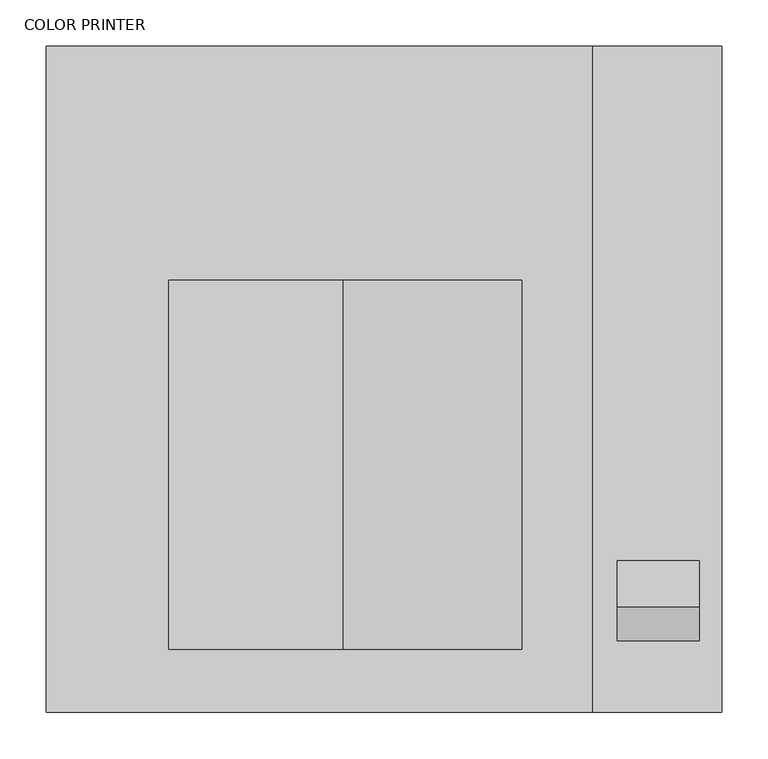
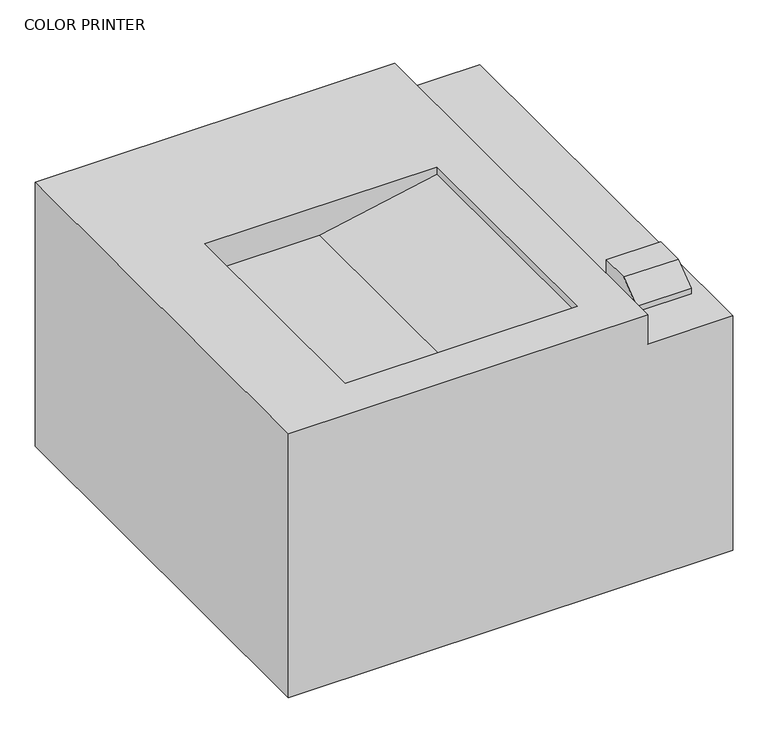
"""IFC4 building model written with IfcOpenShell, lengths in millimetres: proxy geometry, COLOR PRINTER."""

from ifc_helpers import new_model, si_unit, frame, origin, place, context, project, spatial, polyline, outline, extrude, faceted_brep, source, transform, mapped, element, save


def color_printer_38d62b15(model_context):
    return source(origin(), model_context, "Body", "SolidModel", [
        extrude(outline(polyline([(-565.5859956, 1320.8), (-651.984646, 1320.8), (-651.984646, 1330.3812577), (-615.4823205, 1358.9), (-565.5859956, 1358.9), (-565.5859956, 1320.8)])), frame((795.4583803, 0.0, 0.0), z_axis=(1.0, 0.0, 0.0), x_axis=(0.0, 1.0, 0.0)), (0.0, 0.0, 1.0), 88.9451128),
        faceted_brep([(179.3693622, -10.2970561, 1371.6), (179.3693622, -729.1170561, 1371.6), (768.7654106, -729.1170561, 1371.6), (768.7654106, -10.2970561, 1371.6), (692.5654106, -661.2771811, 1371.6), (311.5654106, -661.2771811, 1371.6), (311.5654106, -262.5325681, 1371.6), (692.5654106, -262.5325681, 1371.6), (179.3693622, -729.1170561, 914.4), (179.3693622, -10.2970561, 914.4), (908.3493622, -10.2970561, 914.4), (908.3493622, -729.1170561, 914.4), (908.3493622, -729.1170561, 1320.8), (768.7654106, -729.1170561, 1320.8), (908.3493622, -10.2970561, 1320.8), (768.7654106, -10.2970561, 1320.8), (692.5654106, -661.2771811, 1358.9), (499.5448514, -661.2771811, 1320.8), (311.5654106, -661.2771811, 1320.8), (311.5654106, -262.5325681, 1320.8), (499.5448514, -262.5325681, 1320.8), (692.5654106, -262.5325681, 1358.9)], [[[0, 1, 2, 3], [4, 5, 6, 7]], [[8, 9, 10, 11]], [[8, 11, 12, 13, 2, 1]], [[11, 10, 14, 12]], [[10, 9, 0, 3, 15, 14]], [[1, 0, 9, 8]], [[15, 13, 12, 14]], [[4, 16, 17, 18, 5]], [[6, 19, 20, 21, 7]], [[5, 18, 19, 6]], [[18, 17, 20, 19]], [[17, 16, 21, 20]], [[16, 4, 7, 21]], [[13, 15, 3, 2]]]),
    ])


if __name__ == "__main__":
    model = new_model("IFC4")
    model_context = context("Model", 3, world=origin())
    ifc_project = project(units=[si_unit("LENGTHUNIT", "METRE", prefix="MILLI")], contexts=[model_context])
    site = spatial("IfcSite", under=ifc_project)
    building = spatial("IfcBuilding", under=site)
    placement = place(None, origin())
    color_printer_shape = color_printer_38d62b15(model_context)
    element("IfcBuildingElementProxy", 1, Name="COLOR PRINTER", ObjectType="COLOR PRINTER", at=placement, inside=building, context=model_context, shape_type="MappedRepresentation", body=[
        mapped(color_printer_shape, transform((0.0, 0.0, 0.0), x_axis=(1.0, 0.0, 0.0), y_axis=(0.0, 1.0, 0.0), z_axis=(0.0, 0.0, 1.0))),
    ])
    save(model, "model.ifc")
